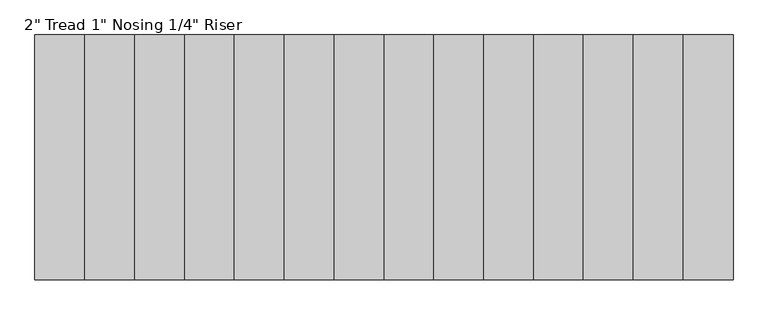
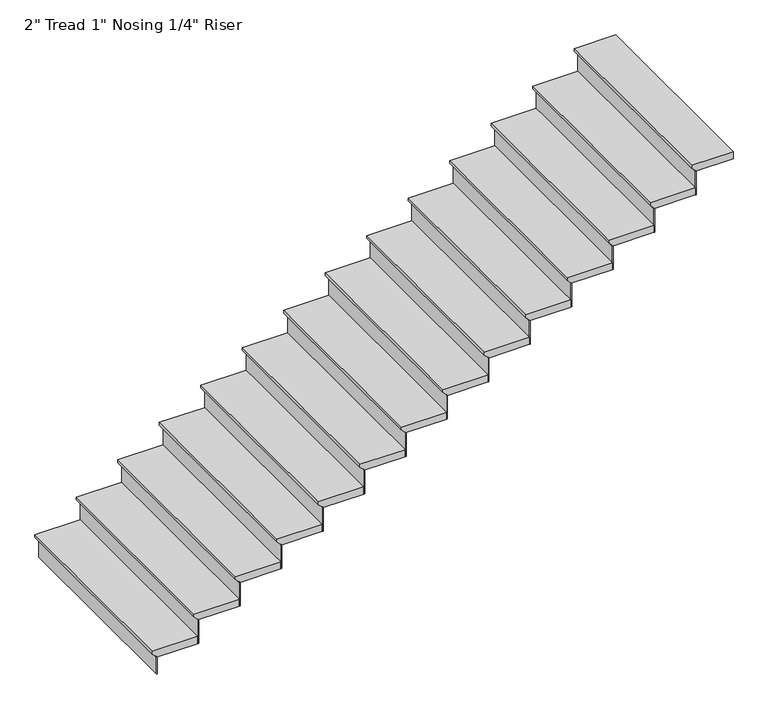
"""IFC4 building model written with IfcOpenShell, lengths in millimetres: stair flight geometry."""

from ifc_helpers import new_model, si_unit, frame, origin, origin_with_axes, place, context, project, spatial, polyline, outline, extrude, source, transform, mapped, element, save


def stair_flight_bc63d62d(model_context):
    return source(origin(), model_context, "Body", "SweptSolid", [
        extrude(outline(polyline([(168.4421053, -323310.3918555), (168.4421053, -323615.1918555), (149.3921053, -323615.1918555), (123.9921053, -323589.7918555), (117.6421053, -323589.7918555), (117.6421053, -323310.3918555), (168.4421053, -323310.3918555)])), frame((0.0, 138241.7350981, 0.0), z_axis=(0.0, 1.0, 0.0), x_axis=(0.0, 0.0, 1.0)), (0.0, 0.0, 1.0), 1371.6),
        extrude(outline(polyline([(-323583.4418555, 138241.7350981), (-323589.7918555, 138241.7350981), (-323589.7918555, 139613.3350981), (-323583.4418555, 139613.3350981), (-323583.4418555, 138241.7350981)])), origin_with_axes(), (0.0, 0.0, 1.0), 117.6421053),
        extrude(outline(polyline([(-323304.0418555, 138241.7350981), (-323310.3918555, 138241.7350981), (-323310.3918555, 139613.3350981), (-323304.0418555, 139613.3350981), (-323304.0418555, 138241.7350981)])), frame((0.0, 0.0, 117.6421053), z_axis=(0.0, 0.0, 1.0), x_axis=(1.0, 0.0, 0.0)), (0.0, 0.0, 1.0), 168.4421053),
        extrude(outline(polyline([(336.8842105, -323030.9918555), (336.8842105, -323335.7918555), (317.8342105, -323335.7918555), (292.4342105, -323310.3918555), (286.0842105, -323310.3918555), (286.0842105, -323030.9918555), (336.8842105, -323030.9918555)])), frame((0.0, 138241.7350981, 0.0), z_axis=(0.0, 1.0, 0.0), x_axis=(0.0, 0.0, 1.0)), (0.0, 0.0, 1.0), 1371.6),
        extrude(outline(polyline([(-323024.6418555, 138241.7350981), (-323030.9918555, 138241.7350981), (-323030.9918555, 139613.3350981), (-323024.6418555, 139613.3350981), (-323024.6418555, 138241.7350981)])), frame((0.0, 0.0, 286.0842105), z_axis=(0.0, 0.0, 1.0), x_axis=(1.0, 0.0, 0.0)), (0.0, 0.0, 1.0), 168.4421053),
        extrude(outline(polyline([(505.3263158, -322751.5918555), (505.3263158, -323056.3918555), (486.2763158, -323056.3918555), (460.8763158, -323030.9918555), (454.5263158, -323030.9918555), (454.5263158, -322751.5918555), (505.3263158, -322751.5918555)])), frame((0.0, 138241.7350981, 0.0), z_axis=(0.0, 1.0, 0.0), x_axis=(0.0, 0.0, 1.0)), (0.0, 0.0, 1.0), 1371.6),
        extrude(outline(polyline([(-322745.2418555, 138241.7350981), (-322751.5918555, 138241.7350981), (-322751.5918555, 139613.3350981), (-322745.2418555, 139613.3350981), (-322745.2418555, 138241.7350981)])), frame((0.0, 0.0, 454.5263158), z_axis=(0.0, 0.0, 1.0), x_axis=(1.0, 0.0, 0.0)), (0.0, 0.0, 1.0), 168.4421053),
        extrude(outline(polyline([(673.7684211, -322472.1918555), (673.7684211, -322776.9918555), (654.7184211, -322776.9918555), (629.3184211, -322751.5918555), (622.9684211, -322751.5918555), (622.9684211, -322472.1918555), (673.7684211, -322472.1918555)])), frame((0.0, 138241.7350981, 0.0), z_axis=(0.0, 1.0, 0.0), x_axis=(0.0, 0.0, 1.0)), (0.0, 0.0, 1.0), 1371.6),
        extrude(outline(polyline([(-322465.8418555, 138241.7350981), (-322472.1918555, 138241.7350981), (-322472.1918555, 139613.3350981), (-322465.8418555, 139613.3350981), (-322465.8418555, 138241.7350981)])), frame((0.0, 0.0, 622.9684211), z_axis=(0.0, 0.0, 1.0), x_axis=(1.0, 0.0, 0.0)), (0.0, 0.0, 1.0), 168.4421053),
        extrude(outline(polyline([(842.2105263, -322192.7918555), (842.2105263, -322497.5918555), (823.1605263, -322497.5918555), (797.7605263, -322472.1918555), (791.4105263, -322472.1918555), (791.4105263, -322192.7918555), (842.2105263, -322192.7918555)])), frame((0.0, 138241.7350981, 0.0), z_axis=(0.0, 1.0, 0.0), x_axis=(0.0, 0.0, 1.0)), (0.0, 0.0, 1.0), 1371.6),
        extrude(outline(polyline([(-322186.4418555, 138241.7350981), (-322192.7918555, 138241.7350981), (-322192.7918555, 139613.3350981), (-322186.4418555, 139613.3350981), (-322186.4418555, 138241.7350981)])), frame((0.0, 0.0, 791.4105263), z_axis=(0.0, 0.0, 1.0), x_axis=(1.0, 0.0, 0.0)), (0.0, 0.0, 1.0), 168.4421053),
        extrude(outline(polyline([(1010.6526316, -321913.3918555), (1010.6526316, -322218.1918555), (991.6026316, -322218.1918555), (966.2026316, -322192.7918555), (959.8526316, -322192.7918555), (959.8526316, -321913.3918555), (1010.6526316, -321913.3918555)])), frame((0.0, 138241.7350981, 0.0), z_axis=(0.0, 1.0, 0.0), x_axis=(0.0, 0.0, 1.0)), (0.0, 0.0, 1.0), 1371.6),
        extrude(outline(polyline([(-321907.0418555, 138241.7350981), (-321913.3918555, 138241.7350981), (-321913.3918555, 139613.3350981), (-321907.0418555, 139613.3350981), (-321907.0418555, 138241.7350981)])), frame((0.0, 0.0, 959.8526316), z_axis=(0.0, 0.0, 1.0), x_axis=(1.0, 0.0, 0.0)), (0.0, 0.0, 1.0), 168.4421053),
        extrude(outline(polyline([(1179.0947368, -321633.9918555), (1179.0947368, -321938.7918555), (1160.0447368, -321938.7918555), (1134.6447368, -321913.3918555), (1128.2947368, -321913.3918555), (1128.2947368, -321633.9918555), (1179.0947368, -321633.9918555)])), frame((0.0, 138241.7350981, 0.0), z_axis=(0.0, 1.0, 0.0), x_axis=(0.0, 0.0, 1.0)), (0.0, 0.0, 1.0), 1371.6),
        extrude(outline(polyline([(-321627.6418555, 138241.7350981), (-321633.9918555, 138241.7350981), (-321633.9918555, 139613.3350981), (-321627.6418555, 139613.3350981), (-321627.6418555, 138241.7350981)])), frame((0.0, 0.0, 1128.2947368), z_axis=(0.0, 0.0, 1.0), x_axis=(1.0, 0.0, 0.0)), (0.0, 0.0, 1.0), 168.4421053),
        extrude(outline(polyline([(1347.5368421, -321354.5918555), (1347.5368421, -321659.3918555), (1328.4868421, -321659.3918555), (1303.0868421, -321633.9918555), (1296.7368421, -321633.9918555), (1296.7368421, -321354.5918555), (1347.5368421, -321354.5918555)])), frame((0.0, 138241.7350981, 0.0), z_axis=(0.0, 1.0, 0.0), x_axis=(0.0, 0.0, 1.0)), (0.0, 0.0, 1.0), 1371.6),
        extrude(outline(polyline([(-321348.2418555, 138241.7350981), (-321354.5918555, 138241.7350981), (-321354.5918555, 139613.3350981), (-321348.2418555, 139613.3350981), (-321348.2418555, 138241.7350981)])), frame((0.0, 0.0, 1296.7368421), z_axis=(0.0, 0.0, 1.0), x_axis=(1.0, 0.0, 0.0)), (0.0, 0.0, 1.0), 168.4421053),
        extrude(outline(polyline([(1515.9789474, -321075.1918555), (1515.9789474, -321379.9918555), (1496.9289474, -321379.9918555), (1471.5289474, -321354.5918555), (1465.1789474, -321354.5918555), (1465.1789474, -321075.1918555), (1515.9789474, -321075.1918555)])), frame((0.0, 138241.7350981, 0.0), z_axis=(0.0, 1.0, 0.0), x_axis=(0.0, 0.0, 1.0)), (0.0, 0.0, 1.0), 1371.6),
        extrude(outline(polyline([(-321068.8418555, 138241.7350981), (-321075.1918555, 138241.7350981), (-321075.1918555, 139613.3350981), (-321068.8418555, 139613.3350981), (-321068.8418555, 138241.7350981)])), frame((0.0, 0.0, 1465.1789474), z_axis=(0.0, 0.0, 1.0), x_axis=(1.0, 0.0, 0.0)), (0.0, 0.0, 1.0), 168.4421053),
        extrude(outline(polyline([(1684.4210526, -320795.7918555), (1684.4210526, -321100.5918555), (1665.3710526, -321100.5918555), (1639.9710526, -321075.1918555), (1633.6210526, -321075.1918555), (1633.6210526, -320795.7918555), (1684.4210526, -320795.7918555)])), frame((0.0, 138241.7350981, 0.0), z_axis=(0.0, 1.0, 0.0), x_axis=(0.0, 0.0, 1.0)), (0.0, 0.0, 1.0), 1371.6),
        extrude(outline(polyline([(-320789.4418555, 138241.7350981), (-320795.7918555, 138241.7350981), (-320795.7918555, 139613.3350981), (-320789.4418555, 139613.3350981), (-320789.4418555, 138241.7350981)])), frame((0.0, 0.0, 1633.6210526), z_axis=(0.0, 0.0, 1.0), x_axis=(1.0, 0.0, 0.0)), (0.0, 0.0, 1.0), 168.4421053),
        extrude(outline(polyline([(1852.8631579, -320516.3918555), (1852.8631579, -320821.1918555), (1833.8131579, -320821.1918555), (1808.4131579, -320795.7918555), (1802.0631579, -320795.7918555), (1802.0631579, -320516.3918555), (1852.8631579, -320516.3918555)])), frame((0.0, 138241.7350981, 0.0), z_axis=(0.0, 1.0, 0.0), x_axis=(0.0, 0.0, 1.0)), (0.0, 0.0, 1.0), 1371.6),
        extrude(outline(polyline([(-320510.0418555, 138241.7350981), (-320516.3918555, 138241.7350981), (-320516.3918555, 139613.3350981), (-320510.0418555, 139613.3350981), (-320510.0418555, 138241.7350981)])), frame((0.0, 0.0, 1802.0631579), z_axis=(0.0, 0.0, 1.0), x_axis=(1.0, 0.0, 0.0)), (0.0, 0.0, 1.0), 168.4421053),
        extrude(outline(polyline([(2021.3052632, -320236.9918555), (2021.3052632, -320541.7918555), (2002.2552632, -320541.7918555), (1976.8552632, -320516.3918555), (1970.5052632, -320516.3918555), (1970.5052632, -320236.9918555), (2021.3052632, -320236.9918555)])), frame((0.0, 138241.7350981, 0.0), z_axis=(0.0, 1.0, 0.0), x_axis=(0.0, 0.0, 1.0)), (0.0, 0.0, 1.0), 1371.6),
        extrude(outline(polyline([(-320230.6418555, 138241.7350981), (-320236.9918555, 138241.7350981), (-320236.9918555, 139613.3350981), (-320230.6418555, 139613.3350981), (-320230.6418555, 138241.7350981)])), frame((0.0, 0.0, 1970.5052632), z_axis=(0.0, 0.0, 1.0), x_axis=(1.0, 0.0, 0.0)), (0.0, 0.0, 1.0), 168.4421053),
        extrude(outline(polyline([(2189.7473684, -319957.5918555), (2189.7473684, -320262.3918555), (2170.6973684, -320262.3918555), (2145.2973684, -320236.9918555), (2138.9473684, -320236.9918555), (2138.9473684, -319957.5918555), (2189.7473684, -319957.5918555)])), frame((0.0, 138241.7350981, 0.0), z_axis=(0.0, 1.0, 0.0), x_axis=(0.0, 0.0, 1.0)), (0.0, 0.0, 1.0), 1371.6),
        extrude(outline(polyline([(-319951.2418555, 138241.7350981), (-319957.5918555, 138241.7350981), (-319957.5918555, 139613.3350981), (-319951.2418555, 139613.3350981), (-319951.2418555, 138241.7350981)])), frame((0.0, 0.0, 2138.9473684), z_axis=(0.0, 0.0, 1.0), x_axis=(1.0, 0.0, 0.0)), (0.0, 0.0, 1.0), 168.4421053),
        extrude(outline(polyline([(2358.1894737, -319703.5918555), (2358.1894737, -319982.9918555), (2339.1394737, -319982.9918555), (2313.7394737, -319957.5918555), (2307.3894737, -319957.5918555), (2307.3894737, -319703.5918555), (2358.1894737, -319703.5918555)])), frame((0.0, 138241.7350981, 0.0), z_axis=(0.0, 1.0, 0.0), x_axis=(0.0, 0.0, 1.0)), (0.0, 0.0, 1.0), 1371.6),
    ])


if __name__ == "__main__":
    model = new_model("IFC4")
    model_context = context("Model", 3, world=origin())
    ifc_project = project(units=[si_unit("LENGTHUNIT", "METRE", prefix="MILLI")], contexts=[model_context])
    site = spatial("IfcSite", under=ifc_project)
    building = spatial("IfcBuilding", under=site)
    placement = place(None, origin())
    stair_flight_shape = stair_flight_bc63d62d(model_context)
    element("IfcStairFlight", 1, ObjectType="2\" Tread 1\" Nosing 1/4\" Riser", at=placement, inside=building, context=model_context, shape_type="MappedRepresentation", body=[
        mapped(stair_flight_shape, transform((0.0, 0.0, 0.0), x_axis=(1.0, 0.0, 0.0), y_axis=(0.0, 1.0, 0.0), z_axis=(0.0, 0.0, 1.0))),
    ])
    save(model, "model.ifc")
